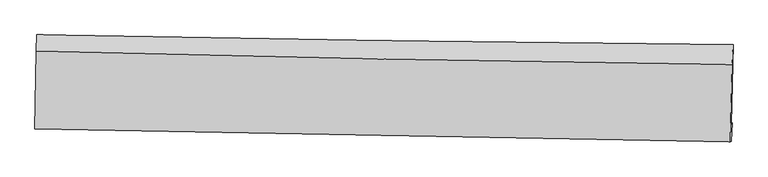
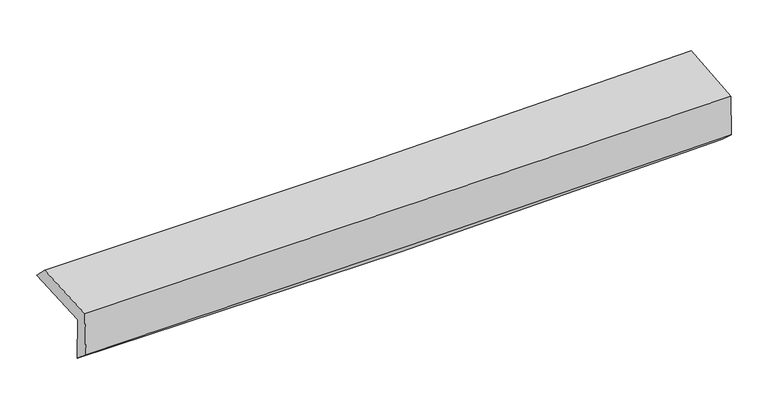
"""IFC4 building model written with IfcOpenShell, lengths in millimetres: proxy geometry."""

from ifc_helpers import new_model, si_unit, frame, origin, place, context, project, spatial, source, transform, mapped, element, save
from ifc_brep_helpers import plane_surface, spline_curve, spline_surface, advanced_brep


def generic_models_9a6dab8a(model_context):
    return source(origin(), model_context, "Body", "AdvancedBrep", [
        advanced_brep(
        [(-2961.8119116, -1767.7215025, 1962.4417259), (-2950.0285361, -1090.2713358, 1982.3505841), (2953.03204, -1174.3702229, 2114.9852455), (2935.6444278, -1850.993923, 2112.9341747), (-2951.9714066, -1741.0071992, 1565.4644393), (2945.5972568, -1839.0280887, 1699.8751063), (-2957.6862778, -1888.9922182, 1694.3639118), (2938.2668085, -1996.9630333, 1839.5268481), (-2967.1548734, -1889.6057212, 2095.5904447), (2929.3375953, -1999.0068043, 2219.6961827), (-2955.6287063, -1226.9429847, 2115.0647309), (2945.3336053, -1341.5857105, 2260.1550891)],
        [
            (0, 1),
            (1, 2, spline_curve(3, [(-2950.0285361, -1090.2713358, 1982.3505841), (-1965.391802311, -1108.813252308, 1987.32700171), (-980.856921964, -1125.095298232, 2000.879861575), (986.829692686, -1153.122848559, 2045.111953958), (1969.981671209, -1164.873765351, 2075.77064774), (2953.03204, -1174.3702229, 2114.9852455)], [4, 2, 4], [0.0, 9.688972838825187, 19.366337428846126])),
            (2, 3),
            (3, 0, spline_curve(3, [(2935.6444278, -1850.993923, 2112.9341747), (1953.87730465, -1837.233018938, 2064.891387222), (971.833793454, -1823.417390652, 2028.32958736), (-993.984322748, -1795.660048502, 1978.137877758), (-1977.759591462, -1781.718203321, 1964.53552811), (-2961.8119116, -1767.7215025, 1962.4417259)], [4, 2, 4], [0.0, 9.67736459002094, 19.366337428846126])),
            (4, 0),
            (3, 5),
            (5, 4, spline_curve(3, [(2945.5972568, -1839.0280887, 1699.8751063), (1963.997424389, -1818.538889286, 1651.301833392), (982.028259534, -1800.129531058, 1615.813174174), (-983.827074736, -1767.450908664, 1570.978208795), (-1967.714131222, -1753.186636989, 1561.663312495), (-2951.9714066, -1741.0071992, 1565.4644393)], [4, 2, 4], [0.0, 9.673439987751115, 19.358483516644675])),
            (6, 4),
            (5, 7),
            (7, 6, spline_curve(3, [(2938.2668085, -1996.9630333, 1839.5268481), (1956.454127461, -1979.277282062, 1807.219909993), (974.512944443, -1961.442321115, 1778.974344466), (-990.804442398, -1925.452407808, 1730.576949771), (-1974.180955132, -1907.297096846, 1710.434869698), (-2957.6862778, -1888.9922182, 1694.3639118)], [4, 2, 4], [0.0, 9.671987394565967, 19.35557658785133])),
            (8, 6),
            (7, 9),
            (9, 8, spline_curve(3, [(2929.3375953, -1999.0068043, 2219.6961827), (1947.281512932, -1980.606583389, 2197.916356842), (965.173661856, -1962.295127541, 2176.690166416), (-1000.323703691, -1925.82788667, 2135.32025792), (-1983.713342092, -1907.672314875, 2115.17786944), (-2967.1548734, -1889.6057212, 2095.5904447)], [4, 2, 4], [0.0, 9.670676720125519, 19.35295366678259])),
            (10, 8),
            (9, 11),
            (11, 10, spline_curve(3, [(2945.3336053, -1341.5857105, 2260.1550891), (1962.41658708, -1330.4628503, 2227.631422236), (979.505969407, -1315.355975711, 2199.283468277), (-987.481483004, -1277.151297074, 2150.909991896), (-1971.55830264, -1254.043929976, 2130.894492928), (-2955.6287063, -1226.9429847, 2115.0647309)], [4, 2, 4], [0.0, 9.674906024419366, 19.361417348530033])),
            (1, 10),
            (11, 2),
        ],
        [
            spline_surface(3, 3, [[(-2961.8119116, -1767.7215025, 1962.4417259), (-1977.759591455, -1781.718203189, 1964.535528042), (-993.984322805, -1795.6600485, 1978.137877761), (971.833793511, -1823.417390655, 2028.329587357), (1953.877304696, -1837.233018806, 2064.891387249), (2935.6444278, -1850.993923, 2112.9341747)], [(-2957.884119785, -1541.904780282, 1969.078011954), (-1973.636995057, -1557.416552906, 1972.132685906), (-989.608522577, -1572.138465047, 1985.718539058), (976.832426561, -1599.985876663, 2033.923709512), (1959.245426888, -1613.113267593, 2068.517807372), (2941.440298528, -1625.452689609, 2113.61786496)], [(-2953.956327915, -1316.088058018, 1975.714298046), (-1969.514398603, -1333.114902577, 1979.729843807), (-985.232722258, -1348.616881579, 1993.299200385), (981.831059702, -1376.554362657, 2039.517831696), (1964.613549095, -1388.993516453, 2072.144227514), (2947.236169272, -1399.911456291, 2114.30155524)], [(-2950.0285361, -1090.2713358, 1982.3505841), (-1965.391802205, -1108.813252294, 1987.32700167), (-980.85692203, -1125.095298126, 2000.879861683), (986.829692752, -1153.122848665, 2045.11195385), (1969.981671287, -1164.87376524, 2075.770647636), (2953.03204, -1174.3702229, 2114.9852455)]], [4, 4], [4, 2, 4], [0.0, 2.2010120649547087], [0.0, 9.688972838825187, 19.366337428846126]),
            spline_surface(3, 3, [[(-2951.9714066, -1741.0071992, 1565.4644393), (-1967.714131226, -1753.186637142, 1561.663312446), (-983.827074881, -1767.450908624, 1570.978208915), (982.028259678, -1800.129531099, 1615.813174054), (1963.997424458, -1818.538889444, 1651.301833291), (2945.5972568, -1839.0280887, 1699.8751063)], [(-2955.251574909, -1749.911966972, 1697.790201487), (-1971.062617944, -1762.697159164, 1695.954050965), (-987.212824184, -1776.853955257, 1706.698098543), (978.630104294, -1807.892150958, 1753.318645167), (1960.624051206, -1824.77026592, 1789.165017945), (2942.279647136, -1843.016700155, 1837.561462435)], [(-2958.531743291, -1758.816734728, 1830.115963713), (-1974.411104736, -1772.207681168, 1830.244789523), (-990.598573501, -1786.257001867, 1842.417988133), (975.231948895, -1815.654770795, 1890.824116244), (1957.250677947, -1831.00164233, 1927.028202595), (2938.962037464, -1847.005311545, 1975.247818565)], [(-2961.8119116, -1767.7215025, 1962.4417259), (-1977.759591455, -1781.718203189, 1964.535528042), (-993.984322805, -1795.6600485, 1978.137877761), (971.833793511, -1823.417390655, 2028.329587357), (1953.877304696, -1837.233018806, 2064.891387249), (2935.6444278, -1850.993923, 2112.9341747)]], [4, 4], [4, 2, 4], [0.0, 1.3476677220374038], [0.0, 9.68504352889356, 19.358483516644675]),
            spline_surface(3, 3, [[(-2957.6862778, -1888.9922182, 1694.3639118), (-1974.180955063, -1907.297096862, 1710.434869686), (-990.80444246, -1925.452407688, 1730.576949761), (974.512944505, -1961.442321235, 1778.974344476), (1956.454127338, -1979.277282063, 1807.219909845), (2938.2668085, -1996.9630333, 1839.5268481)], [(-2955.781320748, -1839.663878532, 1651.397420967), (-1972.025347132, -1855.926943621, 1660.844350606), (-988.478653252, -1872.785241338, 1677.377369482), (977.018049578, -1907.671391194, 1724.587287671), (1958.968559703, -1925.697817836, 1755.247217646), (2940.710291258, -1944.318051746, 1792.976267486)], [(-2953.876363652, -1790.335538868, 1608.430930133), (-1969.869739157, -1804.556790384, 1611.253831526), (-986.152864088, -1820.118074974, 1624.177789194), (979.523154606, -1853.90046114, 1670.200230858), (1961.482992093, -1872.118353671, 1703.274525489), (2943.153774042, -1891.673070254, 1746.425686914)], [(-2951.9714066, -1741.0071992, 1565.4644393), (-1967.714131226, -1753.186637142, 1561.663312446), (-983.827074881, -1767.450908624, 1570.978208915), (982.028259678, -1800.129531099, 1615.813174054), (1963.997424458, -1818.538889444, 1651.301833291), (2945.5972568, -1839.0280887, 1699.8751063)]], [4, 4], [4, 2, 4], [0.0, 0.7451557499965598], [0.0, 9.683589193285364, 19.35557658785133]),
            spline_surface(3, 3, [[(-2967.1548734, -1889.6057212, 2095.5904447), (-1983.713342043, -1907.672314983, 2115.177869346), (-1000.323703557, -1925.827886717, 2135.320257991), (965.173661723, -1962.295127494, 2176.690166345), (1947.281512836, -1980.606583464, 2197.916356983), (2929.3375953, -1999.0068043, 2219.6961827)], [(-2963.998674881, -1889.401220184, 1961.848267095), (-1980.535879731, -1907.54724226, 1980.263536154), (-997.150616532, -1925.70272703, 2000.405821894), (968.286755977, -1962.01085873, 2044.118225702), (1950.339051003, -1980.163483007, 2067.684207935), (2932.3139997, -1998.32554731, 2092.973071165)], [(-2960.842476319, -1889.196719216, 1828.106089405), (-1977.358417375, -1907.422169585, 1845.349202877), (-993.977529485, -1925.577567376, 1865.491385857), (971.399850251, -1961.726589999, 1911.546285119), (1953.396589171, -1979.720382521, 1937.452058893), (2935.2904041, -1997.64429029, 1966.249959635)], [(-2957.6862778, -1888.9922182, 1694.3639118), (-1974.180955063, -1907.297096862, 1710.434869686), (-990.80444246, -1925.452407688, 1730.576949761), (974.512944505, -1961.442321235, 1778.974344476), (1956.454127338, -1979.277282063, 1807.219909845), (2938.2668085, -1996.9630333, 1839.5268481)]], [4, 4], [4, 2, 4], [0.0, 1.3167487779645635], [0.0, 9.68227694665707, 19.35295366678259]),
            spline_surface(3, 3, [[(-2955.6287063, -1226.9429847, 2115.0647309), (-1971.558302789, -1254.043929998, 2130.894492957), (-987.481483068, -1277.151297223, 2150.909991832), (979.50596947, -1315.355975562, 2199.283468341), (1962.416587003, -1330.462850281, 2227.631422167), (2945.3336053, -1341.5857105, 2260.1550891)], [(-2959.470761998, -1447.830563544, 2108.573302167), (-1975.609982538, -1471.920058336, 2125.65561842), (-991.762223211, -1493.37682706, 2145.713413883), (974.728533574, -1531.002359545, 2191.752367674), (1957.371562293, -1547.177428023, 2217.726400448), (2940.001601979, -1560.726075114, 2246.668786976)], [(-2963.312817702, -1668.718142356, 2102.081873433), (-1979.661662294, -1689.796186644, 2120.416743883), (-996.042963414, -1709.60235688, 2140.516835939), (969.951097619, -1746.648743511, 2184.221267012), (1952.326537546, -1763.892005723, 2207.821378702), (2934.669598621, -1779.866439686, 2233.182484824)], [(-2967.1548734, -1889.6057212, 2095.5904447), (-1983.713342043, -1907.672314983, 2115.177869346), (-1000.323703557, -1925.827886717, 2135.320257991), (965.173661723, -1962.295127494, 2176.690166345), (1947.281512836, -1980.606583464, 2197.916356983), (2929.3375953, -1999.0068043, 2219.6961827)]], [4, 4], [4, 2, 4], [0.0, 2.1267468795037714], [0.0, 9.686511324110667, 19.361417348530033]),
            spline_surface(3, 3, [[(-2950.0285361, -1090.2713358, 1982.3505841), (-1965.391802205, -1108.813252294, 1987.32700167), (-980.85692203, -1125.095298126, 2000.879861683), (986.829692752, -1153.122848665, 2045.11195385), (1969.981671287, -1164.87376524, 2075.770647636), (2953.03204, -1174.3702229, 2114.9852455)], [(-2951.895259479, -1135.828552085, 2026.58863303), (-1967.447302379, -1157.22347818, 2035.182832096), (-983.065109045, -1175.780631147, 2050.889905081), (984.388451656, -1207.200557619, 2096.502458696), (1967.459976524, -1220.070126921, 2126.390905825), (2950.465895098, -1230.108718767, 2163.375193379)], [(-2953.761982921, -1181.385768415, 2070.82668197), (-1969.502802615, -1205.633704111, 2083.038662532), (-985.273296053, -1226.465964202, 2100.899948433), (981.947210567, -1261.278266607, 2147.892963495), (1964.938281766, -1275.266488601, 2177.011163978), (2947.899750202, -1285.847214633, 2211.765141221)], [(-2955.6287063, -1226.9429847, 2115.0647309), (-1971.558302789, -1254.043929998, 2130.894492957), (-987.481483068, -1277.151297223, 2150.909991832), (979.50596947, -1315.355975562, 2199.283468341), (1962.416587003, -1330.462850281, 2227.631422167), (2945.3336053, -1341.5857105, 2260.1550891)]], [4, 4], [4, 2, 4], [0.0, 0.7178597069463881], [0.0, 9.691885145988053, 19.372158553969577]),
            plane_surface(frame((2941.2019556, -1700.3246305, 2041.1954411), z_axis=(0.9993959564683484, -0.025752823457698786, 0.023334829733078228), x_axis=(0.02348064805583264, 0.00537438918938112, -0.9997098454590307))),
            plane_surface(frame((-2957.3802853, -1600.7568269, 1902.5459728), z_axis=(-0.9995589253607801, 0.018078454740458844, -0.023561073952599355), x_axis=(-0.017383582130433266, -0.9994174136185439, -0.029370809119513945))),
        ],
        [
            (0, [[1, 2, 3, 4]]),
            (1, [[5, -4, 6, 7]]),
            (2, [[8, -7, 9, 10]]),
            (3, [[11, -10, 12, 13]]),
            (4, [[14, -13, 15, 16]]),
            (5, [[17, -16, 18, -2]]),
            (6, [[-12, -9, -6, -3, -18, -15]]),
            (7, [[-1, -5, -8, -11, -14, -17]]),
        ],
    ),
    ])


if __name__ == "__main__":
    model = new_model("IFC4")
    model_context = context("Model", 3, world=origin())
    ifc_project = project(units=[si_unit("LENGTHUNIT", "METRE", prefix="MILLI")], contexts=[model_context])
    site = spatial("IfcSite", under=ifc_project)
    building = spatial("IfcBuilding", under=site)
    placement = place(None, origin())
    generic_models_shape = generic_models_9a6dab8a(model_context)
    element("IfcBuildingElementProxy", 1, Name="Generic Models", at=placement, inside=building, context=model_context, shape_type="MappedRepresentation", body=[
        mapped(generic_models_shape, transform((0.0, 0.0, 0.0), x_axis=(1.0, 0.0, 0.0), y_axis=(0.0, 1.0, 0.0), z_axis=(0.0, 0.0, 1.0))),
    ])
    save(model, "model.ifc")
